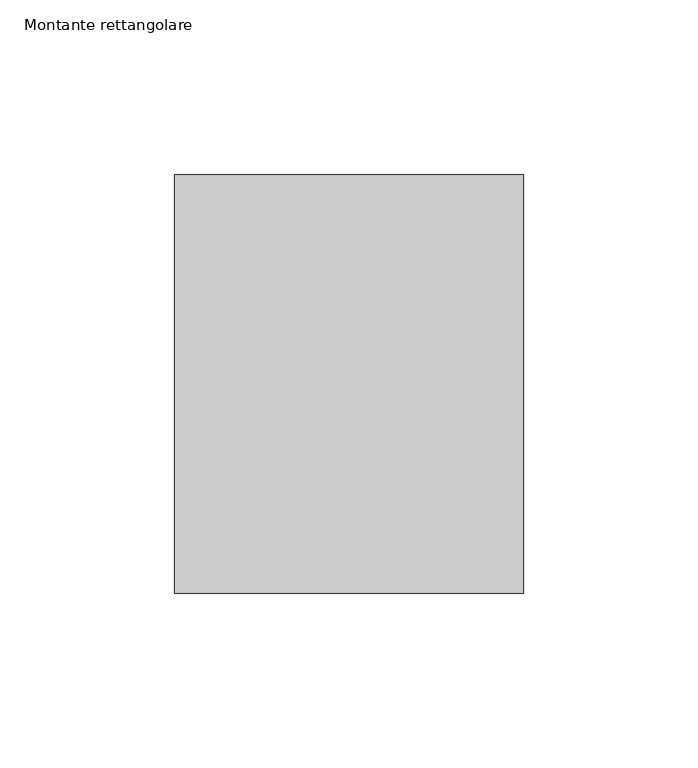
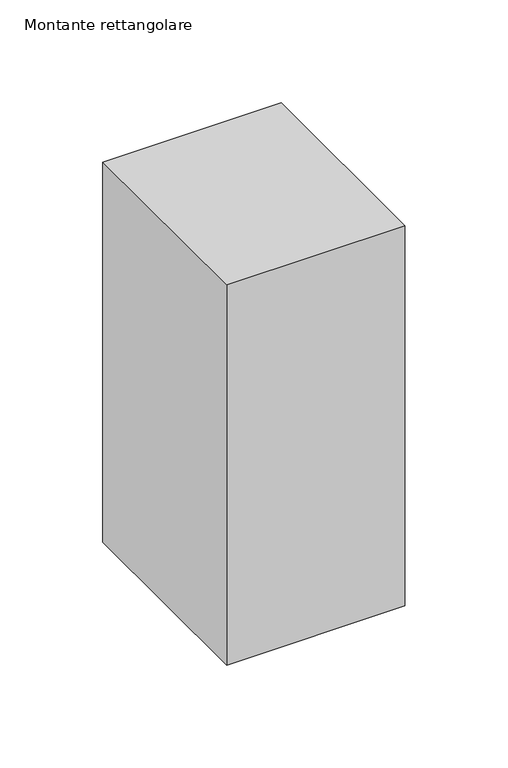
"""IFC4 building model written with IfcOpenShell, lengths in millimetres: member geometry, Montante rettangolare."""

from ifc_helpers import new_model, si_unit, frame, origin, place, context, project, spatial, polyline, outline, extrude, source, transform, mapped, element, save


def montante_rettangolare_2cbdc675(model_context):
    return source(origin(), model_context, "Body", "SweptSolid", [
        extrude(outline(polyline([(50.0, 60.0), (50.0, -60.0), (-50.0, -60.0), (-50.0, 60.0), (50.0, 60.0)])), frame((0.0, 0.0, -225.2820291), z_axis=(0.0, 0.0, 1.0), x_axis=(1.0, 0.0, 0.0)), (0.0, 0.0, 1.0), 225.2820291),
    ])


if __name__ == "__main__":
    model = new_model("IFC4")
    model_context = context("Model", 3, world=origin())
    ifc_project = project(units=[si_unit("LENGTHUNIT", "METRE", prefix="MILLI")], contexts=[model_context])
    site = spatial("IfcSite", under=ifc_project)
    building = spatial("IfcBuilding", under=site)
    placement = place(None, origin())
    montante_rettangolare_shape = montante_rettangolare_2cbdc675(model_context)
    element("IfcMember", 1, ObjectType="Montante rettangolare", at=placement, inside=building, context=model_context, shape_type="MappedRepresentation", body=[
        mapped(montante_rettangolare_shape, transform((0.0, 0.0, 0.0), x_axis=(1.0, 0.0, 0.0), y_axis=(0.0, 1.0, 0.0), z_axis=(0.0, 0.0, 1.0))),
    ])
    save(model, "model.ifc")
